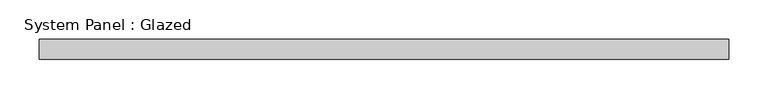
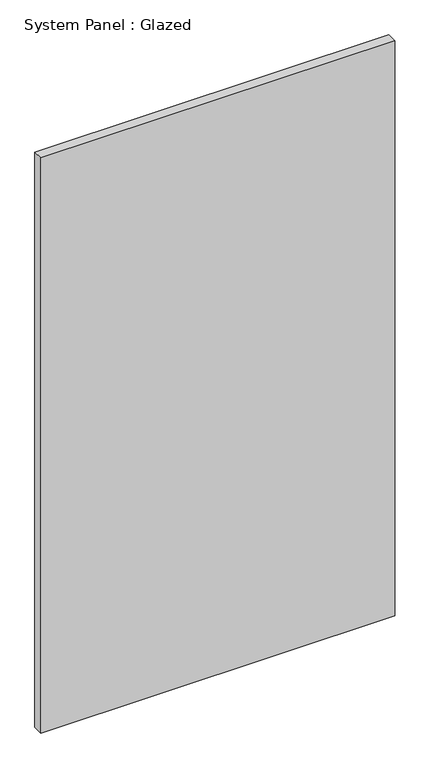
"""IFC4 building model written with IfcOpenShell, lengths in millimetres: plate geometry, System Panel : Glazed."""

from ifc_helpers import new_model, si_unit, origin, origin_with_axes, place, context, project, spatial, polyline, outline, extrude, source, transform, mapped, element, save


def system_panel_glazed_ae559fc0(model_context):
    return source(origin(), model_context, "Body", "SweptSolid", [
        extrude(outline(polyline([(436.6666667, 24.5), (-436.6666667, 24.5), (-436.6666667, 49.5), (436.6666667, 49.5), (436.6666667, 24.5)])), origin_with_axes(), (0.0, 0.0, 1.0), 1500.0),
    ])


if __name__ == "__main__":
    model = new_model("IFC4")
    model_context = context("Model", 3, world=origin())
    ifc_project = project(units=[si_unit("LENGTHUNIT", "METRE", prefix="MILLI")], contexts=[model_context])
    site = spatial("IfcSite", under=ifc_project)
    building = spatial("IfcBuilding", under=site)
    placement = place(None, origin())
    system_panel_glazed_shape = system_panel_glazed_ae559fc0(model_context)
    element("IfcPlate", 1, ObjectType="System Panel : Glazed", at=placement, inside=building, context=model_context, shape_type="MappedRepresentation", body=[
        mapped(system_panel_glazed_shape, transform((0.0, 0.0, 0.0), x_axis=(1.0, 0.0, 0.0), y_axis=(0.0, 1.0, 0.0), z_axis=(0.0, 0.0, 1.0))),
    ])
    save(model, "model.ifc")
